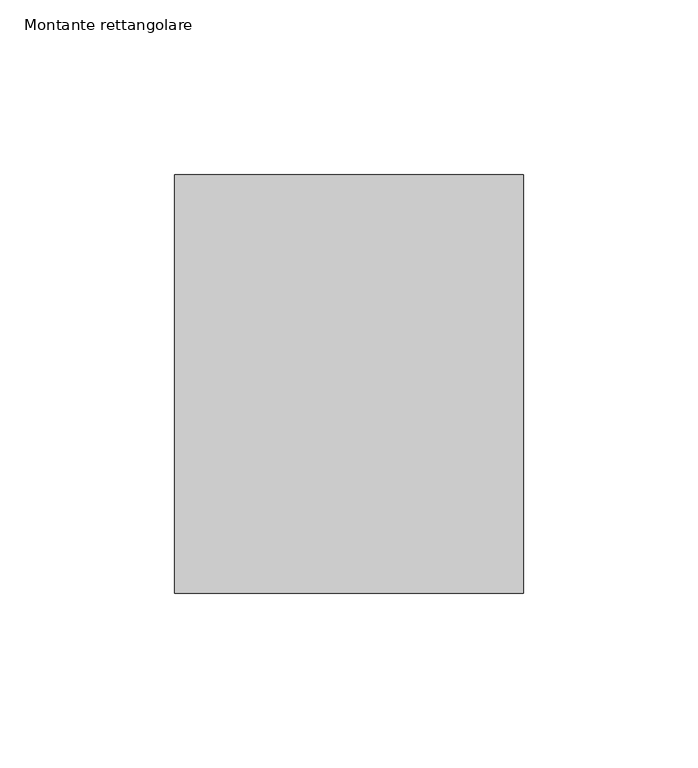
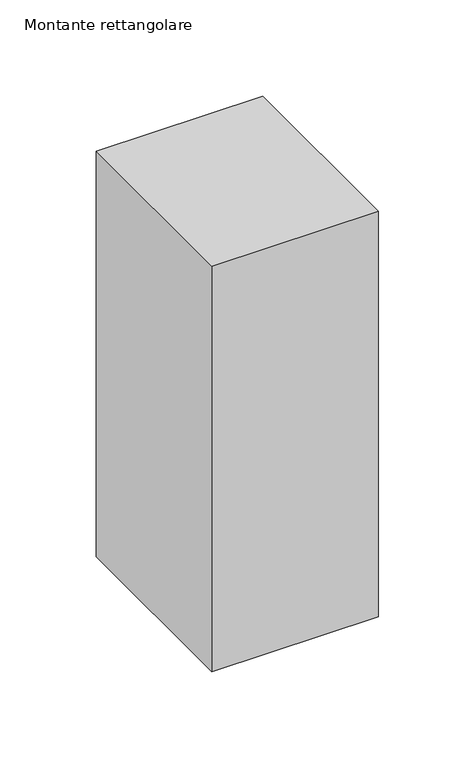
"""IFC4 building model written with IfcOpenShell, lengths in millimetres: member geometry, Montante rettangolare."""

from ifc_helpers import new_model, si_unit, frame, origin, place, context, project, spatial, polyline, outline, extrude, source, transform, mapped, element, save


def montante_rettangolare_9994fcfa(model_context):
    return source(origin(), model_context, "Body", "SweptSolid", [
        extrude(outline(polyline([(0.0, 60.0), (0.0, -60.0), (-100.0, -60.0), (-100.0, 60.0), (0.0, 60.0)])), frame((0.0, 0.0, -257.1723124), z_axis=(0.0, 0.0, 1.0), x_axis=(1.0, 0.0, 0.0)), (0.0, 0.0, 1.0), 257.1723124),
    ])


if __name__ == "__main__":
    model = new_model("IFC4")
    model_context = context("Model", 3, world=origin())
    ifc_project = project(units=[si_unit("LENGTHUNIT", "METRE", prefix="MILLI")], contexts=[model_context])
    site = spatial("IfcSite", under=ifc_project)
    building = spatial("IfcBuilding", under=site)
    placement = place(None, origin())
    montante_rettangolare_shape = montante_rettangolare_9994fcfa(model_context)
    element("IfcMember", 1, ObjectType="Montante rettangolare", at=placement, inside=building, context=model_context, shape_type="MappedRepresentation", body=[
        mapped(montante_rettangolare_shape, transform((0.0, 0.0, 0.0), x_axis=(1.0, 0.0, 0.0), y_axis=(0.0, 1.0, 0.0), z_axis=(0.0, 0.0, 1.0))),
    ])
    save(model, "model.ifc")
